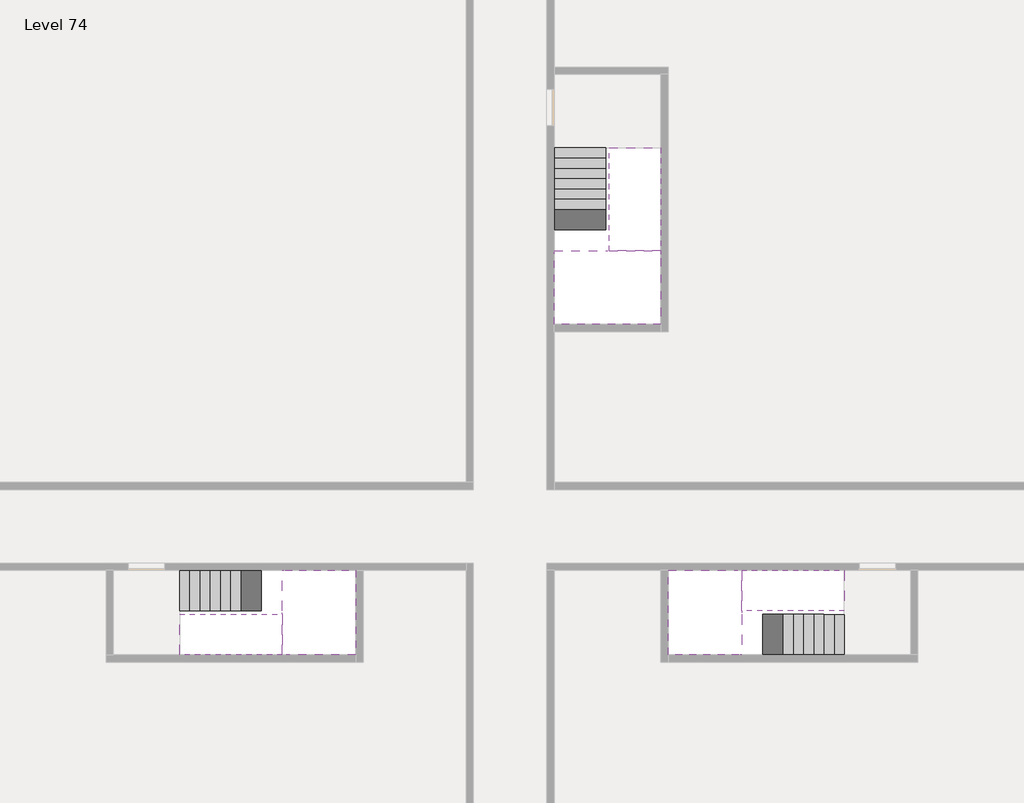
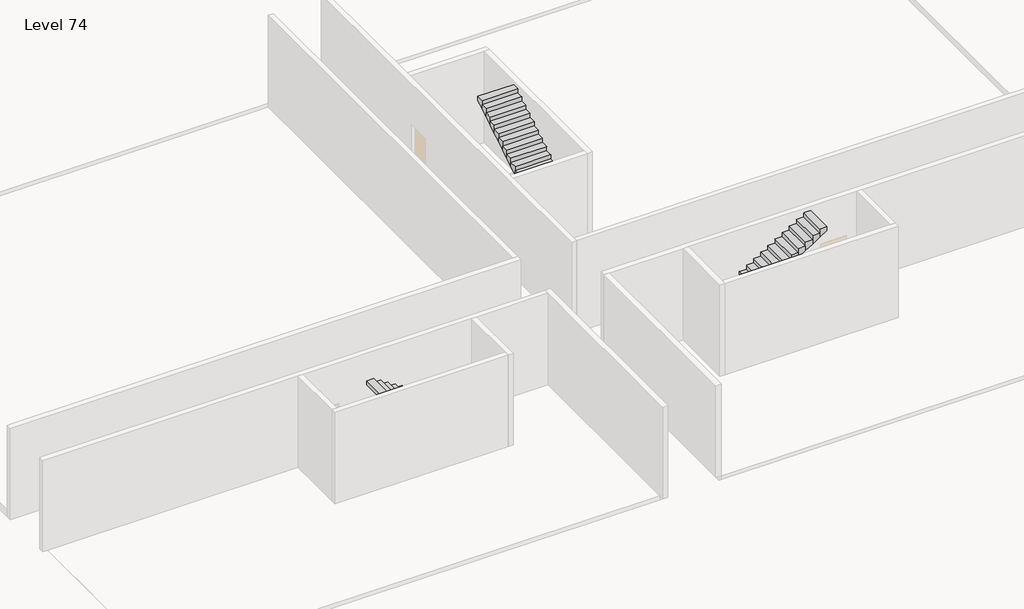
# One storey, part 2 of 2: 6 stair flights, 3 slabs.
"""IFC4 building model written with IfcOpenShell, lengths in millimetres."""

from ifc_helpers import new_model, si_unit, origin, place, context, project, spatial, faceted_brep, element, save

model = new_model("IFC4")

# Units and contexts
model_context = context("Model", 3, world=origin())
ifc_project = project(units=[si_unit("LENGTHUNIT", "METRE", prefix="MILLI")], contexts=[model_context])

# Site, building, storey
site = spatial("IfcSite", under=ifc_project)
building = spatial("IfcBuilding", under=site)
storey = spatial("IfcBuildingStorey", under=building, Name="Level 74", Elevation=277400.0)

# Slabs
placement = place(None, origin())
element("IfcSlab", 1, at=placement, inside=storey, context=model_context, shape_type="Brep", body=[
    faceted_brep([(26790.1058784, -34218.09644, 279300.0), (25390.1058784, -34218.09644, 279300.0), (25390.1058784, -34297.4828763, 279300.0), (25390.1058784, -36218.09644, 279300.0), (28290.1058784, -36218.09644, 279300.0), (28290.1058784, -34418.7100038, 279300.0), (28290.1058784, -34218.09644, 279300.0), (26890.1058784, -34218.09644, 279300.0), (26790.1058784, -34218.09644, 279000.0), (26790.1058784, -34218.09644, 278951.0278478), (25390.1058784, -34218.09644, 278951.0278478), (25390.1058784, -34218.09644, 279127.2727273), (25390.1058784, -34297.4828763, 279000.0), (25390.1058784, -36218.09644, 279000.0), (28290.1058784, -36218.09644, 279000.0), (28290.1058784, -34418.7100038, 279000.0), (28290.1058784, -34218.09644, 279123.7551205), (26890.1058784, -34218.09644, 279123.7551205), (26890.1058784, -34218.09644, 279000.0), (26890.1058784, -34418.7100038, 279000.0), (26790.1058784, -34297.4828763, 279000.0)], [[[0, 1, 2, 3, 4, 5, 6, 7]], [[1, 0, 8, 9, 10, 11]], [[1, 11, 10, 12, 13, 3, 2]], [[4, 3, 13, 14]], [[4, 14, 15, 16, 6, 5]], [[7, 6, 16, 17]], [[0, 7, 17, 18, 8]], [[18, 19, 15, 14, 13, 12, 20, 8]], [[19, 18, 17]], [[20, 12, 10, 9]], [[8, 20, 9]], [[15, 19, 17, 16]]]),
])
element("IfcSlab", 2, at=placement, inside=storey, context=model_context, shape_type="Brep", body=[
    faceted_brep([(30490.1058784, -45218.09644, 279300.0), (30490.1058784, -44118.09644, 279300.0), (30490.1058784, -44018.09644, 279300.0), (30490.1058784, -42918.09644, 279300.0), (30289.4923146, -42918.09644, 279300.0), (28490.1058784, -42918.09644, 279300.0), (28490.1058784, -45218.09644, 279300.0), (30410.7194421, -45218.09644, 279300.0), (30490.1058784, -45218.09644, 279127.2727273), (30490.1058784, -45218.09644, 278951.0278478), (30490.1058784, -44118.09644, 278951.0278478), (30490.1058784, -44118.09644, 279000.0), (30490.1058784, -44018.09644, 279000.0), (30490.1058784, -44018.09644, 279123.7551205), (30490.1058784, -42918.09644, 279123.7551205), (30289.4923146, -42918.09644, 279000.0), (28490.1058784, -42918.09644, 279000.0), (28490.1058784, -45218.09644, 279000.0), (30410.7194421, -45218.09644, 279000.0), (30289.4923146, -44018.09644, 279000.0), (30410.7194421, -44118.09644, 279000.0)], [[[0, 1, 2, 3, 4, 5, 6, 7]], [[1, 0, 8, 9, 10, 11]], [[2, 1, 11, 12, 13]], [[3, 2, 13, 14]], [[3, 14, 15, 16, 5, 4]], [[6, 5, 16, 17]], [[9, 8, 0, 7, 6, 17, 18]], [[19, 12, 11, 20, 18, 17, 16, 15]], [[12, 19, 13]], [[18, 20, 10, 9]], [[20, 11, 10]], [[19, 15, 14, 13]]]),
])
element("IfcSlab", 3, at=placement, inside=storey, context=model_context, shape_type="Brep", body=[
    faceted_brep([(17990.1058784, -42918.09644, 279300.0), (17990.1058784, -44018.09644, 279300.0), (17990.1058784, -44118.09644, 279300.0), (17990.1058784, -45218.09644, 279300.0), (18190.7194421, -45218.09644, 279300.0), (19990.1058784, -45218.09644, 279300.0), (19990.1058784, -42918.09644, 279300.0), (18069.4923146, -42918.09644, 279300.0), (17990.1058784, -42918.09644, 279127.2727273), (17990.1058784, -42918.09644, 278951.0278478), (17990.1058784, -44018.09644, 278951.0278478), (17990.1058784, -44018.09644, 279000.0), (17990.1058784, -44118.09644, 279000.0), (17990.1058784, -44118.09644, 279123.7551205), (17990.1058784, -45218.09644, 279123.7551205), (18190.7194421, -45218.09644, 279000.0), (19990.1058784, -45218.09644, 279000.0), (19990.1058784, -42918.09644, 279000.0), (18069.4923146, -42918.09644, 279000.0), (18190.7194421, -44118.09644, 279000.0), (18069.4923146, -44018.09644, 279000.0)], [[[0, 1, 2, 3, 4, 5, 6, 7]], [[1, 0, 8, 9, 10, 11]], [[2, 1, 11, 12, 13]], [[3, 2, 13, 14]], [[3, 14, 15, 16, 5, 4]], [[6, 5, 16, 17]], [[9, 8, 0, 7, 6, 17, 18]], [[19, 12, 11, 20, 18, 17, 16, 15]], [[12, 19, 13]], [[18, 20, 10, 9]], [[20, 11, 10]], [[19, 15, 14, 13]]]),
])

# Stair flights
element("IfcStairFlight", 4, at=placement, inside=storey, context=model_context, shape_type="Brep", body=[
    faceted_brep([(26790.1058784, -31698.09644, 277572.7272727), (26790.1058784, -31418.09644, 277572.7272727), (25390.1058784, -31418.09644, 277572.7272727), (25390.1058784, -31698.09644, 277572.7272727), (26790.1058784, -31698.09644, 277400.0), (26790.1058784, -31418.09644, 277400.0), (25390.1058784, -31418.09644, 277400.0), (25390.1058784, -31698.09644, 277400.0), (26790.1058784, -31978.09644, 277745.4545455), (26790.1058784, -31698.09644, 277745.4545455), (25390.1058784, -31698.09644, 277745.4545455), (25390.1058784, -31978.09644, 277745.4545455), (26790.1058784, -31978.09644, 277569.209666), (26790.1058784, -31703.7986657, 277400.0), (25390.1058784, -31703.7986657, 277400.0), (25390.1058784, -31978.09644, 277569.209666), (26790.1058784, -32258.09644, 277918.1818182), (26790.1058784, -31978.09644, 277918.1818182), (25390.1058784, -31978.09644, 277918.1818182), (25390.1058784, -32258.09644, 277918.1818182), (26790.1058784, -32258.09644, 277741.9369387), (25390.1058784, -32258.09644, 277741.9369387), (26790.1058784, -32538.09644, 278090.9090909), (26790.1058784, -32258.09644, 278090.9090909), (25390.1058784, -32258.09644, 278090.9090909), (25390.1058784, -32538.09644, 278090.9090909), (26790.1058784, -32538.09644, 277914.6642114), (25390.1058784, -32538.09644, 277914.6642114), (26790.1058784, -32818.09644, 278263.6363636), (26790.1058784, -32538.09644, 278263.6363636), (25390.1058784, -32538.09644, 278263.6363636), (25390.1058784, -32818.09644, 278263.6363636), (26790.1058784, -32818.09644, 278087.3914841), (25390.1058784, -32818.09644, 278087.3914841), (26790.1058784, -33098.09644, 278436.3636364), (26790.1058784, -32818.09644, 278436.3636364), (25390.1058784, -32818.09644, 278436.3636364), (25390.1058784, -33098.09644, 278436.3636364), (26790.1058784, -33098.09644, 278260.1187569), (25390.1058784, -33098.09644, 278260.1187569), (26790.1058784, -33378.09644, 278609.0909091), (26790.1058784, -33098.09644, 278609.0909091), (25390.1058784, -33098.09644, 278609.0909091), (25390.1058784, -33378.09644, 278609.0909091), (26790.1058784, -33378.09644, 278432.8460296), (25390.1058784, -33378.09644, 278432.8460296), (26790.1058784, -33658.09644, 278781.8181818), (26790.1058784, -33378.09644, 278781.8181818), (25390.1058784, -33378.09644, 278781.8181818), (25390.1058784, -33658.09644, 278781.8181818), (26790.1058784, -33658.09644, 278605.5733023), (25390.1058784, -33658.09644, 278605.5733023), (26790.1058784, -33938.09644, 278954.5454545), (26790.1058784, -33658.09644, 278954.5454545), (25390.1058784, -33658.09644, 278954.5454545), (25390.1058784, -33938.09644, 278954.5454545), (26790.1058784, -33938.09644, 278778.3005751), (25390.1058784, -33938.09644, 278778.3005751), (26790.1058784, -34218.09644, 279127.2727273), (26790.1058784, -33938.09644, 279127.2727273), (25390.1058784, -33938.09644, 279127.2727273), (25390.1058784, -34218.09644, 279127.2727273), (26790.1058784, -34218.09644, 279000.0), (26790.1058784, -34218.09644, 278951.0278478), (25390.1058784, -34218.09644, 278951.0278478)], [[[0, 1, 2, 3]], [[1, 0, 4, 5]], [[2, 1, 5, 6]], [[3, 2, 6, 7]], [[8, 9, 10, 11]], [[4, 0, 9, 8, 12, 13]], [[0, 3, 10, 9]], [[3, 7, 14, 15, 11, 10]], [[16, 17, 18, 19]], [[17, 16, 20, 12, 8]], [[8, 11, 18, 17]], [[19, 18, 11, 15, 21]], [[22, 23, 24, 25]], [[23, 22, 26, 20, 16]], [[16, 19, 24, 23]], [[25, 24, 19, 21, 27]], [[28, 29, 30, 31]], [[29, 28, 32, 26, 22]], [[22, 25, 30, 29]], [[31, 30, 25, 27, 33]], [[34, 35, 36, 37]], [[35, 34, 38, 32, 28]], [[28, 31, 36, 35]], [[37, 36, 31, 33, 39]], [[40, 41, 42, 43]], [[41, 40, 44, 38, 34]], [[34, 37, 42, 41]], [[43, 42, 37, 39, 45]], [[46, 47, 48, 49]], [[47, 46, 50, 44, 40]], [[40, 43, 48, 47]], [[49, 48, 43, 45, 51]], [[52, 53, 54, 55]], [[53, 52, 56, 50, 46]], [[46, 49, 54, 53]], [[55, 54, 49, 51, 57]], [[58, 59, 60, 61]], [[59, 58, 62, 63, 56, 52]], [[52, 55, 60, 59]], [[61, 60, 55, 57, 64]], [[58, 61, 64, 63, 62]], [[5, 4, 13, 14, 7, 6]], [[14, 13, 12, 20, 26, 32, 38, 44, 50, 56, 63, 64, 57, 51, 45, 39, 33, 27, 21, 15]]]),
])
element("IfcStairFlight", 5, at=placement, inside=storey, context=model_context, shape_type="Brep", body=[
    faceted_brep([(26890.1058784, -33938.09644, 279472.7272727), (26890.1058784, -34218.09644, 279472.7272727), (28290.1058784, -34218.09644, 279472.7272727), (28290.1058784, -33938.09644, 279472.7272727), (26890.1058784, -33938.09644, 279296.4823932), (26890.1058784, -34218.09644, 279123.7551205), (28290.1058784, -34218.09644, 279123.7551205), (28290.1058784, -34218.09644, 279300.0), (28290.1058784, -33938.09644, 279296.4823932), (26890.1058784, -33658.09644, 279645.4545455), (26890.1058784, -33938.09644, 279645.4545455), (28290.1058784, -33938.09644, 279645.4545455), (28290.1058784, -33658.09644, 279645.4545455), (26890.1058784, -33658.09644, 279469.209666), (28290.1058784, -33658.09644, 279469.209666), (26890.1058784, -33378.09644, 279818.1818182), (26890.1058784, -33658.09644, 279818.1818182), (28290.1058784, -33658.09644, 279818.1818182), (28290.1058784, -33378.09644, 279818.1818182), (26890.1058784, -33378.09644, 279641.9369387), (28290.1058784, -33378.09644, 279641.9369387), (26890.1058784, -33098.09644, 279990.9090909), (26890.1058784, -33378.09644, 279990.9090909), (28290.1058784, -33378.09644, 279990.9090909), (28290.1058784, -33098.09644, 279990.9090909), (26890.1058784, -33098.09644, 279814.6642114), (28290.1058784, -33098.09644, 279814.6642114), (26890.1058784, -32818.09644, 280163.6363636), (26890.1058784, -33098.09644, 280163.6363636), (28290.1058784, -33098.09644, 280163.6363636), (28290.1058784, -32818.09644, 280163.6363636), (26890.1058784, -32818.09644, 279987.3914841), (28290.1058784, -32818.09644, 279987.3914841), (26890.1058784, -32538.09644, 280336.3636364), (26890.1058784, -32818.09644, 280336.3636364), (28290.1058784, -32818.09644, 280336.3636364), (28290.1058784, -32538.09644, 280336.3636364), (26890.1058784, -32538.09644, 280160.1187569), (28290.1058784, -32538.09644, 280160.1187569), (26890.1058784, -32258.09644, 280509.0909091), (26890.1058784, -32538.09644, 280509.0909091), (28290.1058784, -32538.09644, 280509.0909091), (28290.1058784, -32258.09644, 280509.0909091), (26890.1058784, -32258.09644, 280332.8460296), (28290.1058784, -32258.09644, 280332.8460296), (26890.1058784, -31978.09644, 280681.8181818), (26890.1058784, -32258.09644, 280681.8181818), (28290.1058784, -32258.09644, 280681.8181818), (28290.1058784, -31978.09644, 280681.8181818), (26890.1058784, -31978.09644, 280505.5733023), (28290.1058784, -31978.09644, 280505.5733023), (26890.1058784, -31698.09644, 280854.5454545), (26890.1058784, -31978.09644, 280854.5454545), (28290.1058784, -31978.09644, 280854.5454545), (28290.1058784, -31698.09644, 280854.5454545), (26890.1058784, -31698.09644, 280678.3005751), (28290.1058784, -31698.09644, 280678.3005751), (26890.1058784, -31418.09644, 281027.2727273), (26890.1058784, -31698.09644, 281027.2727273), (28290.1058784, -31698.09644, 281027.2727273), (28290.1058784, -31418.09644, 281027.2727273), (26890.1058784, -31418.09644, 280851.0278478), (28290.1058784, -31418.09644, 280851.0278478)], [[[0, 1, 2, 3]], [[1, 0, 4, 5]], [[2, 1, 5, 6, 7]], [[3, 2, 7, 6, 8]], [[9, 10, 11, 12]], [[10, 9, 13, 4, 0]], [[11, 10, 0, 3]], [[12, 11, 3, 8, 14]], [[15, 16, 17, 18]], [[16, 15, 19, 13, 9]], [[17, 16, 9, 12]], [[18, 17, 12, 14, 20]], [[21, 22, 23, 24]], [[22, 21, 25, 19, 15]], [[23, 22, 15, 18]], [[24, 23, 18, 20, 26]], [[27, 28, 29, 30]], [[28, 27, 31, 25, 21]], [[29, 28, 21, 24]], [[30, 29, 24, 26, 32]], [[33, 34, 35, 36]], [[34, 33, 37, 31, 27]], [[35, 34, 27, 30]], [[36, 35, 30, 32, 38]], [[39, 40, 41, 42]], [[40, 39, 43, 37, 33]], [[41, 40, 33, 36]], [[42, 41, 36, 38, 44]], [[45, 46, 47, 48]], [[46, 45, 49, 43, 39]], [[47, 46, 39, 42]], [[48, 47, 42, 44, 50]], [[51, 52, 53, 54]], [[52, 51, 55, 49, 45]], [[53, 52, 45, 48]], [[54, 53, 48, 50, 56]], [[57, 58, 59, 60]], [[58, 57, 61, 55, 51]], [[59, 58, 51, 54]], [[60, 59, 54, 56, 62]], [[57, 60, 62, 61]], [[5, 4, 13, 19, 25, 31, 37, 43, 49, 55, 61, 62, 56, 50, 44, 38, 32, 26, 20, 14, 8, 6]]]),
])
element("IfcStairFlight", 6, at=placement, inside=storey, context=model_context, shape_type="Brep", body=[
    faceted_brep([(33010.1058784, -45218.09644, 277572.7272727), (33290.1058784, -45218.09644, 277572.7272727), (33290.1058784, -44118.09644, 277572.7272727), (33010.1058784, -44118.09644, 277572.7272727), (33010.1058784, -45218.09644, 277400.0), (33290.1058784, -45218.09644, 277400.0), (33290.1058784, -44118.09644, 277400.0), (33010.1058784, -44118.09644, 277400.0), (32730.1058784, -45218.09644, 277745.4545455), (33010.1058784, -45218.09644, 277745.4545455), (33010.1058784, -44118.09644, 277745.4545455), (32730.1058784, -44118.09644, 277745.4545455), (32730.1058784, -45218.09644, 277569.209666), (33004.4036527, -45218.09644, 277400.0), (33004.4036527, -44118.09644, 277400.0), (32730.1058784, -44118.09644, 277569.209666), (32450.1058784, -45218.09644, 277918.1818182), (32730.1058784, -45218.09644, 277918.1818182), (32730.1058784, -44118.09644, 277918.1818182), (32450.1058784, -44118.09644, 277918.1818182), (32450.1058784, -45218.09644, 277741.9369387), (32450.1058784, -44118.09644, 277741.9369387), (32170.1058784, -45218.09644, 278090.9090909), (32450.1058784, -45218.09644, 278090.9090909), (32450.1058784, -44118.09644, 278090.9090909), (32170.1058784, -44118.09644, 278090.9090909), (32170.1058784, -45218.09644, 277914.6642114), (32170.1058784, -44118.09644, 277914.6642114), (31890.1058784, -45218.09644, 278263.6363636), (32170.1058784, -45218.09644, 278263.6363636), (32170.1058784, -44118.09644, 278263.6363636), (31890.1058784, -44118.09644, 278263.6363636), (31890.1058784, -45218.09644, 278087.3914841), (31890.1058784, -44118.09644, 278087.3914841), (31610.1058784, -45218.09644, 278436.3636364), (31890.1058784, -45218.09644, 278436.3636364), (31890.1058784, -44118.09644, 278436.3636364), (31610.1058784, -44118.09644, 278436.3636364), (31610.1058784, -45218.09644, 278260.1187569), (31610.1058784, -44118.09644, 278260.1187569), (31330.1058784, -45218.09644, 278609.0909091), (31610.1058784, -45218.09644, 278609.0909091), (31610.1058784, -44118.09644, 278609.0909091), (31330.1058784, -44118.09644, 278609.0909091), (31330.1058784, -45218.09644, 278432.8460296), (31330.1058784, -44118.09644, 278432.8460296), (31050.1058784, -45218.09644, 278781.8181818), (31330.1058784, -45218.09644, 278781.8181818), (31330.1058784, -44118.09644, 278781.8181818), (31050.1058784, -44118.09644, 278781.8181818), (31050.1058784, -45218.09644, 278605.5733023), (31050.1058784, -44118.09644, 278605.5733023), (30770.1058784, -45218.09644, 278954.5454545), (31050.1058784, -45218.09644, 278954.5454545), (31050.1058784, -44118.09644, 278954.5454545), (30770.1058784, -44118.09644, 278954.5454545), (30770.1058784, -45218.09644, 278778.3005751), (30770.1058784, -44118.09644, 278778.3005751), (30490.1058784, -45218.09644, 279127.2727273), (30770.1058784, -45218.09644, 279127.2727273), (30770.1058784, -44118.09644, 279127.2727273), (30490.1058784, -44118.09644, 279127.2727273), (30490.1058784, -45218.09644, 278951.0278478), (30490.1058784, -44118.09644, 278951.0278478), (30490.1058784, -44118.09644, 279000.0)], [[[0, 1, 2, 3]], [[1, 0, 4, 5]], [[2, 1, 5, 6]], [[3, 2, 6, 7]], [[8, 9, 10, 11]], [[4, 0, 9, 8, 12, 13]], [[0, 3, 10, 9]], [[3, 7, 14, 15, 11, 10]], [[16, 17, 18, 19]], [[17, 16, 20, 12, 8]], [[8, 11, 18, 17]], [[19, 18, 11, 15, 21]], [[22, 23, 24, 25]], [[23, 22, 26, 20, 16]], [[16, 19, 24, 23]], [[25, 24, 19, 21, 27]], [[28, 29, 30, 31]], [[29, 28, 32, 26, 22]], [[22, 25, 30, 29]], [[31, 30, 25, 27, 33]], [[34, 35, 36, 37]], [[35, 34, 38, 32, 28]], [[28, 31, 36, 35]], [[37, 36, 31, 33, 39]], [[40, 41, 42, 43]], [[41, 40, 44, 38, 34]], [[34, 37, 42, 41]], [[43, 42, 37, 39, 45]], [[46, 47, 48, 49]], [[47, 46, 50, 44, 40]], [[40, 43, 48, 47]], [[49, 48, 43, 45, 51]], [[52, 53, 54, 55]], [[53, 52, 56, 50, 46]], [[46, 49, 54, 53]], [[55, 54, 49, 51, 57]], [[58, 59, 60, 61]], [[59, 58, 62, 56, 52]], [[52, 55, 60, 59]], [[61, 60, 55, 57, 63, 64]], [[58, 61, 64, 63, 62]], [[5, 4, 13, 14, 7, 6]], [[14, 13, 12, 20, 26, 32, 38, 44, 50, 56, 62, 63, 57, 51, 45, 39, 33, 27, 21, 15]]]),
])
element("IfcStairFlight", 7, at=placement, inside=storey, context=model_context, shape_type="Brep", body=[
    faceted_brep([(30770.1058784, -42918.09644, 279472.7272727), (30490.1058784, -42918.09644, 279472.7272727), (30490.1058784, -44018.09644, 279472.7272727), (30770.1058784, -44018.09644, 279472.7272727), (30770.1058784, -42918.09644, 279296.4823932), (30490.1058784, -42918.09644, 279123.7551205), (30490.1058784, -42918.09644, 279300.0), (30490.1058784, -44018.09644, 279123.7551205), (30770.1058784, -44018.09644, 279296.4823932), (31050.1058784, -42918.09644, 279645.4545455), (30770.1058784, -42918.09644, 279645.4545455), (30770.1058784, -44018.09644, 279645.4545455), (31050.1058784, -44018.09644, 279645.4545455), (31050.1058784, -42918.09644, 279469.209666), (31050.1058784, -44018.09644, 279469.209666), (31330.1058784, -42918.09644, 279818.1818182), (31050.1058784, -42918.09644, 279818.1818182), (31050.1058784, -44018.09644, 279818.1818182), (31330.1058784, -44018.09644, 279818.1818182), (31330.1058784, -42918.09644, 279641.9369387), (31330.1058784, -44018.09644, 279641.9369387), (31610.1058784, -42918.09644, 279990.9090909), (31330.1058784, -42918.09644, 279990.9090909), (31330.1058784, -44018.09644, 279990.9090909), (31610.1058784, -44018.09644, 279990.9090909), (31610.1058784, -42918.09644, 279814.6642114), (31610.1058784, -44018.09644, 279814.6642114), (31890.1058784, -42918.09644, 280163.6363636), (31610.1058784, -42918.09644, 280163.6363636), (31610.1058784, -44018.09644, 280163.6363636), (31890.1058784, -44018.09644, 280163.6363636), (31890.1058784, -42918.09644, 279987.3914841), (31890.1058784, -44018.09644, 279987.3914841), (32170.1058784, -42918.09644, 280336.3636364), (31890.1058784, -42918.09644, 280336.3636364), (31890.1058784, -44018.09644, 280336.3636364), (32170.1058784, -44018.09644, 280336.3636364), (32170.1058784, -42918.09644, 280160.1187569), (32170.1058784, -44018.09644, 280160.1187569), (32450.1058784, -42918.09644, 280509.0909091), (32170.1058784, -42918.09644, 280509.0909091), (32170.1058784, -44018.09644, 280509.0909091), (32450.1058784, -44018.09644, 280509.0909091), (32450.1058784, -42918.09644, 280332.8460296), (32450.1058784, -44018.09644, 280332.8460296), (32730.1058784, -42918.09644, 280681.8181818), (32450.1058784, -42918.09644, 280681.8181818), (32450.1058784, -44018.09644, 280681.8181818), (32730.1058784, -44018.09644, 280681.8181818), (32730.1058784, -42918.09644, 280505.5733023), (32730.1058784, -44018.09644, 280505.5733023), (33010.1058784, -42918.09644, 280854.5454545), (32730.1058784, -42918.09644, 280854.5454545), (32730.1058784, -44018.09644, 280854.5454545), (33010.1058784, -44018.09644, 280854.5454545), (33010.1058784, -42918.09644, 280678.3005751), (33010.1058784, -44018.09644, 280678.3005751), (33290.1058784, -42918.09644, 281027.2727273), (33010.1058784, -42918.09644, 281027.2727273), (33010.1058784, -44018.09644, 281027.2727273), (33290.1058784, -44018.09644, 281027.2727273), (33290.1058784, -42918.09644, 280851.0278478), (33290.1058784, -44018.09644, 280851.0278478)], [[[0, 1, 2, 3]], [[1, 0, 4, 5, 6]], [[2, 1, 6, 5, 7]], [[3, 2, 7, 8]], [[9, 10, 11, 12]], [[10, 9, 13, 4, 0]], [[11, 10, 0, 3]], [[12, 11, 3, 8, 14]], [[15, 16, 17, 18]], [[16, 15, 19, 13, 9]], [[17, 16, 9, 12]], [[18, 17, 12, 14, 20]], [[21, 22, 23, 24]], [[22, 21, 25, 19, 15]], [[23, 22, 15, 18]], [[24, 23, 18, 20, 26]], [[27, 28, 29, 30]], [[28, 27, 31, 25, 21]], [[29, 28, 21, 24]], [[30, 29, 24, 26, 32]], [[33, 34, 35, 36]], [[34, 33, 37, 31, 27]], [[35, 34, 27, 30]], [[36, 35, 30, 32, 38]], [[39, 40, 41, 42]], [[40, 39, 43, 37, 33]], [[41, 40, 33, 36]], [[42, 41, 36, 38, 44]], [[45, 46, 47, 48]], [[46, 45, 49, 43, 39]], [[47, 46, 39, 42]], [[48, 47, 42, 44, 50]], [[51, 52, 53, 54]], [[52, 51, 55, 49, 45]], [[53, 52, 45, 48]], [[54, 53, 48, 50, 56]], [[57, 58, 59, 60]], [[58, 57, 61, 55, 51]], [[59, 58, 51, 54]], [[60, 59, 54, 56, 62]], [[57, 60, 62, 61]], [[5, 4, 13, 19, 25, 31, 37, 43, 49, 55, 61, 62, 56, 50, 44, 38, 32, 26, 20, 14, 8, 7]]]),
])
element("IfcStairFlight", 8, at=placement, inside=storey, context=model_context, shape_type="Brep", body=[
    faceted_brep([(15470.1058784, -42918.09644, 277572.7272727), (15190.1058784, -42918.09644, 277572.7272727), (15190.1058784, -44018.09644, 277572.7272727), (15470.1058784, -44018.09644, 277572.7272727), (15470.1058784, -42918.09644, 277400.0), (15190.1058784, -42918.09644, 277400.0), (15190.1058784, -44018.09644, 277400.0), (15470.1058784, -44018.09644, 277400.0), (15750.1058784, -42918.09644, 277745.4545455), (15470.1058784, -42918.09644, 277745.4545455), (15470.1058784, -44018.09644, 277745.4545455), (15750.1058784, -44018.09644, 277745.4545455), (15750.1058784, -42918.09644, 277569.209666), (15475.8081041, -42918.09644, 277400.0), (15475.8081041, -44018.09644, 277400.0), (15750.1058784, -44018.09644, 277569.209666), (16030.1058784, -42918.09644, 277918.1818182), (15750.1058784, -42918.09644, 277918.1818182), (15750.1058784, -44018.09644, 277918.1818182), (16030.1058784, -44018.09644, 277918.1818182), (16030.1058784, -42918.09644, 277741.9369387), (16030.1058784, -44018.09644, 277741.9369387), (16310.1058784, -42918.09644, 278090.9090909), (16030.1058784, -42918.09644, 278090.9090909), (16030.1058784, -44018.09644, 278090.9090909), (16310.1058784, -44018.09644, 278090.9090909), (16310.1058784, -42918.09644, 277914.6642114), (16310.1058784, -44018.09644, 277914.6642114), (16590.1058784, -42918.09644, 278263.6363636), (16310.1058784, -42918.09644, 278263.6363636), (16310.1058784, -44018.09644, 278263.6363636), (16590.1058784, -44018.09644, 278263.6363636), (16590.1058784, -42918.09644, 278087.3914841), (16590.1058784, -44018.09644, 278087.3914841), (16870.1058784, -42918.09644, 278436.3636364), (16590.1058784, -42918.09644, 278436.3636364), (16590.1058784, -44018.09644, 278436.3636364), (16870.1058784, -44018.09644, 278436.3636364), (16870.1058784, -42918.09644, 278260.1187569), (16870.1058784, -44018.09644, 278260.1187569), (17150.1058784, -42918.09644, 278609.0909091), (16870.1058784, -42918.09644, 278609.0909091), (16870.1058784, -44018.09644, 278609.0909091), (17150.1058784, -44018.09644, 278609.0909091), (17150.1058784, -42918.09644, 278432.8460296), (17150.1058784, -44018.09644, 278432.8460296), (17430.1058784, -42918.09644, 278781.8181818), (17150.1058784, -42918.09644, 278781.8181818), (17150.1058784, -44018.09644, 278781.8181818), (17430.1058784, -44018.09644, 278781.8181818), (17430.1058784, -42918.09644, 278605.5733023), (17430.1058784, -44018.09644, 278605.5733023), (17710.1058784, -42918.09644, 278954.5454545), (17430.1058784, -42918.09644, 278954.5454545), (17430.1058784, -44018.09644, 278954.5454545), (17710.1058784, -44018.09644, 278954.5454545), (17710.1058784, -42918.09644, 278778.3005751), (17710.1058784, -44018.09644, 278778.3005751), (17990.1058784, -42918.09644, 279127.2727273), (17710.1058784, -42918.09644, 279127.2727273), (17710.1058784, -44018.09644, 279127.2727273), (17990.1058784, -44018.09644, 279127.2727273), (17990.1058784, -42918.09644, 278951.0278478), (17990.1058784, -44018.09644, 278951.0278478), (17990.1058784, -44018.09644, 279000.0)], [[[0, 1, 2, 3]], [[1, 0, 4, 5]], [[2, 1, 5, 6]], [[3, 2, 6, 7]], [[8, 9, 10, 11]], [[4, 0, 9, 8, 12, 13]], [[0, 3, 10, 9]], [[3, 7, 14, 15, 11, 10]], [[16, 17, 18, 19]], [[17, 16, 20, 12, 8]], [[8, 11, 18, 17]], [[19, 18, 11, 15, 21]], [[22, 23, 24, 25]], [[23, 22, 26, 20, 16]], [[16, 19, 24, 23]], [[25, 24, 19, 21, 27]], [[28, 29, 30, 31]], [[29, 28, 32, 26, 22]], [[22, 25, 30, 29]], [[31, 30, 25, 27, 33]], [[34, 35, 36, 37]], [[35, 34, 38, 32, 28]], [[28, 31, 36, 35]], [[37, 36, 31, 33, 39]], [[40, 41, 42, 43]], [[41, 40, 44, 38, 34]], [[34, 37, 42, 41]], [[43, 42, 37, 39, 45]], [[46, 47, 48, 49]], [[47, 46, 50, 44, 40]], [[40, 43, 48, 47]], [[49, 48, 43, 45, 51]], [[52, 53, 54, 55]], [[53, 52, 56, 50, 46]], [[46, 49, 54, 53]], [[55, 54, 49, 51, 57]], [[58, 59, 60, 61]], [[59, 58, 62, 56, 52]], [[52, 55, 60, 59]], [[61, 60, 55, 57, 63, 64]], [[58, 61, 64, 63, 62]], [[5, 4, 13, 14, 7, 6]], [[14, 13, 12, 20, 26, 32, 38, 44, 50, 56, 62, 63, 57, 51, 45, 39, 33, 27, 21, 15]]]),
])
element("IfcStairFlight", 9, at=placement, inside=storey, context=model_context, shape_type="Brep", body=[
    faceted_brep([(17710.1058784, -45218.09644, 279472.7272727), (17990.1058784, -45218.09644, 279472.7272727), (17990.1058784, -44118.09644, 279472.7272727), (17710.1058784, -44118.09644, 279472.7272727), (17710.1058784, -45218.09644, 279296.4823932), (17990.1058784, -45218.09644, 279123.7551205), (17990.1058784, -45218.09644, 279300.0), (17990.1058784, -44118.09644, 279123.7551205), (17710.1058784, -44118.09644, 279296.4823932), (17430.1058784, -45218.09644, 279645.4545455), (17710.1058784, -45218.09644, 279645.4545455), (17710.1058784, -44118.09644, 279645.4545455), (17430.1058784, -44118.09644, 279645.4545455), (17430.1058784, -45218.09644, 279469.209666), (17430.1058784, -44118.09644, 279469.209666), (17150.1058784, -45218.09644, 279818.1818182), (17430.1058784, -45218.09644, 279818.1818182), (17430.1058784, -44118.09644, 279818.1818182), (17150.1058784, -44118.09644, 279818.1818182), (17150.1058784, -45218.09644, 279641.9369387), (17150.1058784, -44118.09644, 279641.9369387), (16870.1058784, -45218.09644, 279990.9090909), (17150.1058784, -45218.09644, 279990.9090909), (17150.1058784, -44118.09644, 279990.9090909), (16870.1058784, -44118.09644, 279990.9090909), (16870.1058784, -45218.09644, 279814.6642114), (16870.1058784, -44118.09644, 279814.6642114), (16590.1058784, -45218.09644, 280163.6363636), (16870.1058784, -45218.09644, 280163.6363636), (16870.1058784, -44118.09644, 280163.6363636), (16590.1058784, -44118.09644, 280163.6363636), (16590.1058784, -45218.09644, 279987.3914841), (16590.1058784, -44118.09644, 279987.3914841), (16310.1058784, -45218.09644, 280336.3636364), (16590.1058784, -45218.09644, 280336.3636364), (16590.1058784, -44118.09644, 280336.3636364), (16310.1058784, -44118.09644, 280336.3636364), (16310.1058784, -45218.09644, 280160.1187569), (16310.1058784, -44118.09644, 280160.1187569), (16030.1058784, -45218.09644, 280509.0909091), (16310.1058784, -45218.09644, 280509.0909091), (16310.1058784, -44118.09644, 280509.0909091), (16030.1058784, -44118.09644, 280509.0909091), (16030.1058784, -45218.09644, 280332.8460296), (16030.1058784, -44118.09644, 280332.8460296), (15750.1058784, -45218.09644, 280681.8181818), (16030.1058784, -45218.09644, 280681.8181818), (16030.1058784, -44118.09644, 280681.8181818), (15750.1058784, -44118.09644, 280681.8181818), (15750.1058784, -45218.09644, 280505.5733023), (15750.1058784, -44118.09644, 280505.5733023), (15470.1058784, -45218.09644, 280854.5454545), (15750.1058784, -45218.09644, 280854.5454545), (15750.1058784, -44118.09644, 280854.5454545), (15470.1058784, -44118.09644, 280854.5454545), (15470.1058784, -45218.09644, 280678.3005751), (15470.1058784, -44118.09644, 280678.3005751), (15190.1058784, -45218.09644, 281027.2727273), (15470.1058784, -45218.09644, 281027.2727273), (15470.1058784, -44118.09644, 281027.2727273), (15190.1058784, -44118.09644, 281027.2727273), (15190.1058784, -45218.09644, 280851.0278478), (15190.1058784, -44118.09644, 280851.0278478)], [[[0, 1, 2, 3]], [[1, 0, 4, 5, 6]], [[2, 1, 6, 5, 7]], [[3, 2, 7, 8]], [[9, 10, 11, 12]], [[10, 9, 13, 4, 0]], [[11, 10, 0, 3]], [[12, 11, 3, 8, 14]], [[15, 16, 17, 18]], [[16, 15, 19, 13, 9]], [[17, 16, 9, 12]], [[18, 17, 12, 14, 20]], [[21, 22, 23, 24]], [[22, 21, 25, 19, 15]], [[23, 22, 15, 18]], [[24, 23, 18, 20, 26]], [[27, 28, 29, 30]], [[28, 27, 31, 25, 21]], [[29, 28, 21, 24]], [[30, 29, 24, 26, 32]], [[33, 34, 35, 36]], [[34, 33, 37, 31, 27]], [[35, 34, 27, 30]], [[36, 35, 30, 32, 38]], [[39, 40, 41, 42]], [[40, 39, 43, 37, 33]], [[41, 40, 33, 36]], [[42, 41, 36, 38, 44]], [[45, 46, 47, 48]], [[46, 45, 49, 43, 39]], [[47, 46, 39, 42]], [[48, 47, 42, 44, 50]], [[51, 52, 53, 54]], [[52, 51, 55, 49, 45]], [[53, 52, 45, 48]], [[54, 53, 48, 50, 56]], [[57, 58, 59, 60]], [[58, 57, 61, 55, 51]], [[59, 58, 51, 54]], [[60, 59, 54, 56, 62]], [[57, 60, 62, 61]], [[5, 4, 13, 19, 25, 31, 37, 43, 49, 55, 61, 62, 56, 50, 44, 38, 32, 26, 20, 14, 8, 7]]]),
])

save(model, "model.ifc")
